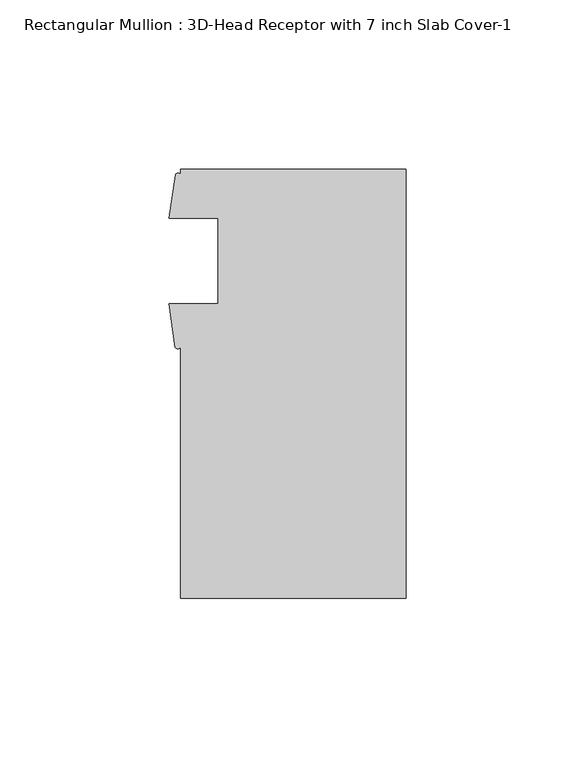
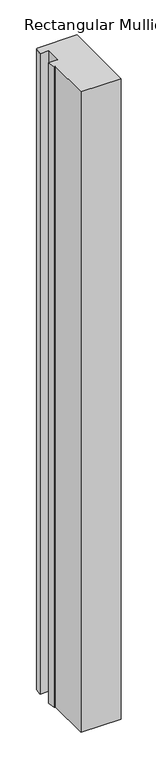
"""IFC4 building model written with IfcOpenShell, lengths in millimetres: member geometry, Rectangular Mullion : 3D-Head Receptor with 7 inch Slab Cover-1."""

from ifc_helpers import new_model, si_unit, point, frame, frame_2d, origin, place, context, project, spatial, polyline, circle_curve, trimmed, segment, composite_curve, outline, extrude, source, transform, mapped, element, save


def rectangular_mullion_3d_head_receptor_with_7_inch_slab_cover_730e2d29(model_context):
    return source(origin(), model_context, "Body", "SweptSolid", [
        extrude(outline(composite_curve([segment(polyline([(33.5097609, 53.975), (33.5097609, -73.025), (-33.1652391, -73.025), (-33.1652391, 1.2984222)]), True, "CONTINUOUS"), segment(trimmed(circle_curve(frame_2d((-33.9969413, 1.8459358)), 0.9957408), [point((-33.1652391, 1.2984222))], [point((-34.8286435, 1.2984222))], False, "CARTESIAN"), True, "CONTINUOUS"), segment(polyline([(-34.8286435, 1.2984222), (-36.6847609, 14.071475), (-22.0527391, 14.071475), (-22.0527391, 39.471475), (-36.5612391, 39.471475), (-34.7511354, 52.2427625)]), True, "CONTINUOUS"), segment(trimmed(circle_curve(frame_2d((-33.9581873, 51.7997027)), 0.9083329), [point((-34.7511354, 52.2427625))], [point((-33.1652391, 52.2427625))], False, "CARTESIAN"), True, "CONTINUOUS"), segment(polyline([(-33.1652391, 52.2427625), (-33.1652391, 53.975), (33.5097609, 53.975)]), True, "CONTINUOUS")], self_intersect=False)), frame((0.0, 0.0, -1126.4359565), z_axis=(0.0, 0.0, 1.0), x_axis=(1.0, 0.0, 0.0)), (0.0, 0.0, 1.0), 1126.4359565),
    ])


if __name__ == "__main__":
    model = new_model("IFC4")
    model_context = context("Model", 3, world=origin())
    ifc_project = project(units=[si_unit("LENGTHUNIT", "METRE", prefix="MILLI")], contexts=[model_context])
    site = spatial("IfcSite", under=ifc_project)
    building = spatial("IfcBuilding", under=site)
    placement = place(None, origin())
    rectangular_mullion_3d_head_receptor_with_7_inch_slab_cover_shape = rectangular_mullion_3d_head_receptor_with_7_inch_slab_cover_730e2d29(model_context)
    element("IfcMember", 1, ObjectType="Rectangular Mullion : 3D-Head Receptor with 7 inch Slab Cover-1", at=placement, inside=building, context=model_context, shape_type="MappedRepresentation", body=[
        mapped(rectangular_mullion_3d_head_receptor_with_7_inch_slab_cover_shape, transform((0.0, 0.0, 0.0), x_axis=(1.0, 0.0, 0.0), y_axis=(0.0, 1.0, 0.0), z_axis=(0.0, 0.0, 1.0))),
    ])
    save(model, "model.ifc")
